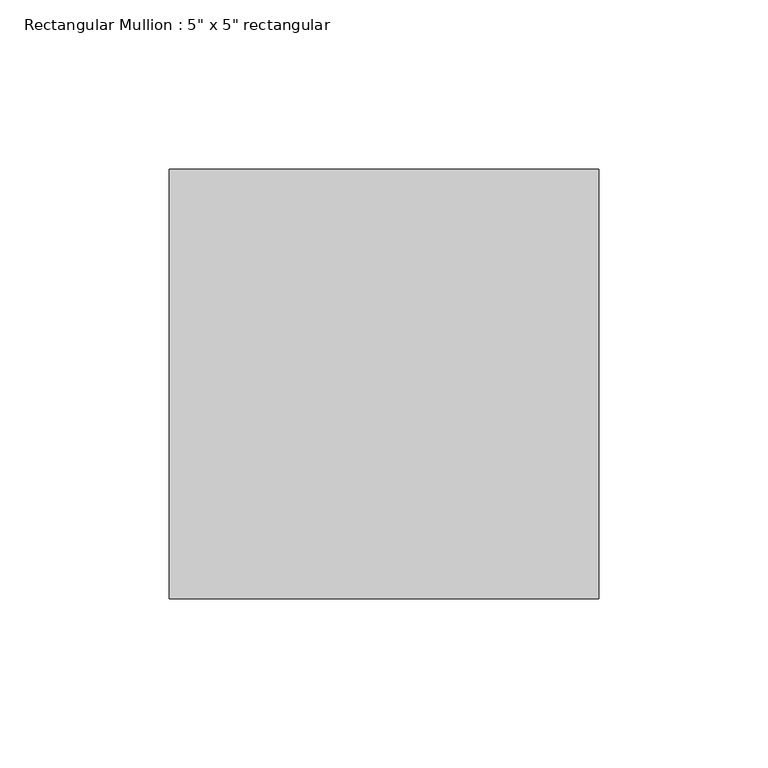
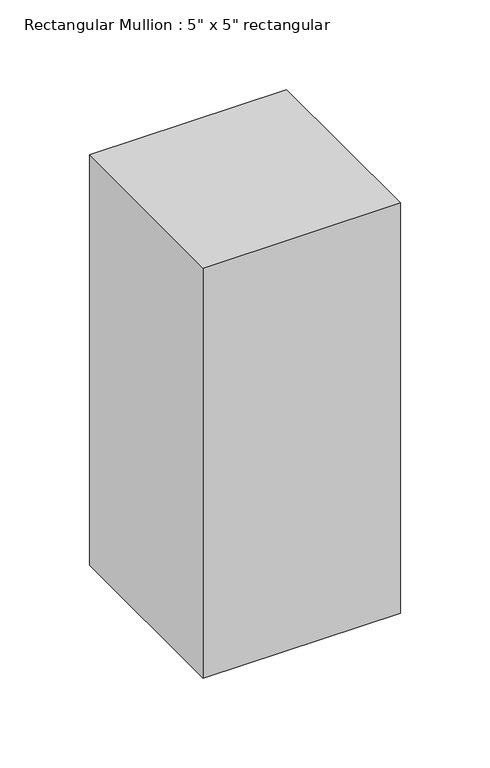
"""IFC4 building model written with IfcOpenShell, lengths in millimetres: member geometry."""

import ifcopenshell
import ifcopenshell.guid

model = None  # the IFC model being written
_history = None  # IfcOwnerHistory: only IFC2X3 demands one
_inside = {}  # id of a spatial element -> (the spatial element, [elements in it])
_under = {}  # id of a project, library or spatial element -> (it, [spatial elements below it])
_declared = {}  # id of a project -> (the project, [libraries it declares])
_typed = {}  # id of a type object -> (the type object, [elements of that type])
_made_of = {}  # id of a material, layer set ... -> (it, [elements and type objects made of it])


def new_model(schema):
    """Start an empty IFC model of exactly this schema.

    Asked for "IFC4X3", IfcOpenShell would pick the latest addendum, in which some entities
    have other attributes; the version numbers below select the first issue.
    IFC2X3 requires an IfcOwnerHistory on every rooted entity: one is made here for all.
    """
    global model, _history
    if schema == "IFC4X3":
        model = ifcopenshell.file(schema_version=(4, 3, 0, 0))
    else:
        model = ifcopenshell.file(schema=schema)
    _inside.clear()
    _under.clear()
    _declared.clear()
    _typed.clear()
    _made_of.clear()
    _history = None
    if model.schema == "IFC2X3":
        org = make("IfcOrganization", Name="unknown")
        user = make(
            "IfcPersonAndOrganization",
            ThePerson=make("IfcPerson", FamilyName="unknown"),
            TheOrganization=org,
        )
        app = make(
            "IfcApplication",
            ApplicationDeveloper=org,
            Version="unknown",
            ApplicationFullName="unknown",
            ApplicationIdentifier="unknown",
        )
        _history = make(
            "IfcOwnerHistory",
            OwningUser=user,
            OwningApplication=app,
            ChangeAction="ADDED",
            CreationDate=0,
        )
    return model


def make(cls, **values):
    """One entity of the class cls with the attributes given. An attribute that is None is left unset."""
    return model.create_entity(
        cls, **{name: value for name, value in values.items() if value is not None}
    )


def rooted(cls, **values):
    """An entity with a GlobalId (a new one), such as an element, a storey or a relation."""
    return make(cls, GlobalId=ifcopenshell.guid.new(), OwnerHistory=_history, **values)


def si_unit(unit_type, name, prefix=None):
    """IfcSIUnit, for example si_unit("LENGTHUNIT", "METRE", prefix="MILLI")."""
    return make("IfcSIUnit", UnitType=unit_type, Prefix=prefix, Name=name)


def assignment(units):
    """IfcUnitAssignment: the units of a project."""
    return None if units is None else make("IfcUnitAssignment", Units=units)


def point(xyz):
    """IfcCartesianPoint."""
    return None if xyz is None else make("IfcCartesianPoint", Coordinates=xyz)


def direction(xyz):
    """IfcDirection."""
    return None if xyz is None else make("IfcDirection", DirectionRatios=xyz)


def frame(location, z_axis=None, x_axis=None):
    """IfcAxis2Placement3D, a coordinate frame: its origin and axes. An axis left out is left unset."""
    return make(
        "IfcAxis2Placement3D",
        Location=point(location),
        Axis=direction(z_axis),
        RefDirection=direction(x_axis),
    )


def origin():
    """The frame at (0, 0, 0) with its axes left unset."""
    return frame((0.0, 0.0, 0.0))


def place(relative_to, where):
    """IfcLocalPlacement: puts the frame where relative to a parent placement (None: the world)."""
    return make(
        "IfcLocalPlacement", PlacementRelTo=relative_to, RelativePlacement=where
    )


def context(
    kind, dimensions, precision=None, world=None, true_north=None, identifier=None
):
    """IfcGeometricRepresentationContext, for example the 3D "Model" context."""
    return make(
        "IfcGeometricRepresentationContext",
        ContextIdentifier=identifier,
        ContextType=kind,
        CoordinateSpaceDimension=dimensions,
        Precision=precision,
        WorldCoordinateSystem=world,
        TrueNorth=true_north,
    )


def project(units=None, contexts=None):
    """IfcProject with its units and contexts."""
    return rooted(
        "IfcProject",
        Name="project",
        RepresentationContexts=contexts,
        UnitsInContext=assignment(units),
    )


def spatial(cls, under=None, at=None, **own):
    """A site, building, storey or space (cls), placed at a placement, below another one or the project."""
    s = rooted(cls, ObjectPlacement=at, **own)
    if under is not None:
        _under.setdefault(under.id(), (under, []))[1].append(s)
    return s


def polyline(points):
    """IfcPolyline through the points."""
    return make("IfcPolyline", Points=[point(p) for p in points])


def outline(outer, holes=None, kind="AREA"):
    """IfcArbitraryClosedProfileDef: a profile drawn as a closed curve; with holes, ...WithVoids."""
    if holes is None:
        return make("IfcArbitraryClosedProfileDef", ProfileType=kind, OuterCurve=outer)
    return make(
        "IfcArbitraryProfileDefWithVoids",
        ProfileType=kind,
        OuterCurve=outer,
        InnerCurves=holes,
    )


def extrude(swept, where, along, depth):
    """IfcExtrudedAreaSolid: the profile swept, set in the frame where, extruded along a direction by depth."""
    return make(
        "IfcExtrudedAreaSolid",
        SweptArea=swept,
        Position=where,
        ExtrudedDirection=direction(along),
        Depth=depth,
    )


def shape(context_of_items, identifier, shape_type, items):
    """IfcShapeRepresentation: the items that make up one representation, for example the "Body"."""
    return make(
        "IfcShapeRepresentation",
        ContextOfItems=context_of_items,
        RepresentationIdentifier=identifier,
        RepresentationType=shape_type,
        Items=items,
    )


def source(mapping_origin, context_of_items, identifier, shape_type, items):
    """IfcRepresentationMap: a shape defined once, which mapped items show again and again."""
    return make(
        "IfcRepresentationMap",
        MappingOrigin=mapping_origin,
        MappedRepresentation=shape(context_of_items, identifier, shape_type, items),
    )


def transform(
    local_origin,
    x_axis=None,
    y_axis=None,
    z_axis=None,
    scale=None,
    scale2=None,
    scale3=None,
    uniform=True,
):
    """IfcCartesianTransformationOperator3D, or its non-uniform kind. x_axis, y_axis, z_axis: its Axis1, 2, 3."""
    if uniform:
        return make(
            "IfcCartesianTransformationOperator3D",
            Axis1=direction(x_axis),
            Axis2=direction(y_axis),
            LocalOrigin=point(local_origin),
            Scale=scale,
            Axis3=direction(z_axis),
        )
    return make(
        "IfcCartesianTransformationOperator3DnonUniform",
        Axis1=direction(x_axis),
        Axis2=direction(y_axis),
        LocalOrigin=point(local_origin),
        Scale=scale,
        Axis3=direction(z_axis),
        Scale2=scale2,
        Scale3=scale3,
    )


def mapped(mapping_source, mapping_target):
    """IfcMappedItem: shows the shape of a source again, moved by a transform."""
    return make(
        "IfcMappedItem", MappingSource=mapping_source, MappingTarget=mapping_target
    )


def made_of(thing, what):
    """Note that an element or type object is made of a material, layer set ...; save() writes the relation."""
    if what is not None:
        _made_of.setdefault(what.id(), (what, []))[1].append(thing)
    return thing


def element(
    cls,
    number,
    at=None,
    inside=None,
    cuts=None,
    type_object=None,
    material=None,
    context=None,
    identifier="Body",
    shape_type=None,
    held_by="IfcProductDefinitionShape",
    body=None,
    shapes=None,
    **own,
):
    """One element of the class cls, such as IfcWall. Its Tag is "e" and its number.

    at: its placement. inside: the storey or other place that contains it. cuts: it is an
    opening in that element (IfcRelVoidsElement). A single representation is given by context,
    identifier, shape_type and body (its items); several are given by shapes. held_by: the class
    of the entity that holds the representations. save() writes the other relations.
    """
    e = rooted(cls, Tag="e%d" % number, ObjectPlacement=at, **own)
    if body is not None:
        shapes = [shape(context, identifier, shape_type, body)]
    if shapes is not None:
        e.Representation = make(held_by, Representations=shapes)
    if inside is not None:
        _inside.setdefault(inside.id(), (inside, []))[1].append(e)
    if cuts is not None:
        rooted(
            "IfcRelVoidsElement", RelatingBuildingElement=cuts, RelatedOpeningElement=e
        )
    if type_object is not None:
        _typed.setdefault(type_object.id(), (type_object, []))[1].append(e)
    return made_of(e, material)


def aggregate(whole, parts):
    """IfcRelAggregates: a whole, such as a stair, and the parts it consists of."""
    return rooted("IfcRelAggregates", RelatingObject=whole, RelatedObjects=parts)


def save(model, path):
    """Write the relations noted so far, then the file.

    IfcRelAggregates (storeys below a building ...), IfcRelContainedInSpatialStructure (elements
    in a storey), IfcRelDefinesByType, IfcRelAssociatesMaterial and IfcRelDeclares: one each for
    every whole, place, type object, material and project.
    """
    for whole, parts in _under.values():
        aggregate(whole, parts)
    for where, things in _inside.values():
        rooted(
            "IfcRelContainedInSpatialStructure",
            RelatedElements=things,
            RelatingStructure=where,
        )
    for kind, things in _typed.values():
        rooted("IfcRelDefinesByType", RelatedObjects=things, RelatingType=kind)
    for what, things in _made_of.values():
        rooted("IfcRelAssociatesMaterial", RelatedObjects=things, RelatingMaterial=what)
    for by, libraries in _declared.values():
        rooted("IfcRelDeclares", RelatingContext=by, RelatedDefinitions=libraries)
    model.write(path)


def member_bb00d817(model_context):
    return source(origin(), model_context, "Body", "SweptSolid", [
        extrude(outline(polyline([(0.0, 63.5), (0.0, -63.5), (-127.0, -63.5), (-127.0, 63.5), (0.0, 63.5)])), frame((0.0, 0.0, -279.4), z_axis=(0.0, 0.0, 1.0), x_axis=(1.0, 0.0, 0.0)), (0.0, 0.0, 1.0), 279.4),
    ])


if __name__ == "__main__":
    model = new_model("IFC4")
    model_context = context("Model", 3, world=origin())
    ifc_project = project(units=[si_unit("LENGTHUNIT", "METRE", prefix="MILLI")], contexts=[model_context])
    site = spatial("IfcSite", under=ifc_project)
    building = spatial("IfcBuilding", under=site)
    placement = place(None, origin())
    member_shape = member_bb00d817(model_context)
    element("IfcMember", 1, ObjectType="Rectangular Mullion : 5\" x 5\" rectangular", at=placement, inside=building, context=model_context, shape_type="MappedRepresentation", body=[
        mapped(member_shape, transform((0.0, 0.0, 0.0), x_axis=(1.0, 0.0, 0.0), y_axis=(0.0, 1.0, 0.0), z_axis=(0.0, 0.0, 1.0))),
    ])
    save(model, "model.ifc")
